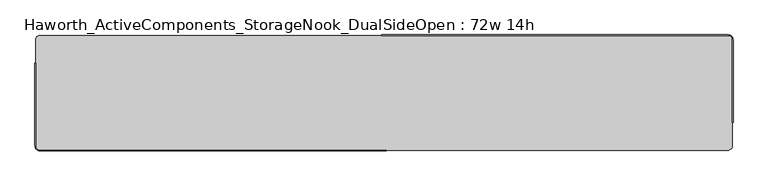
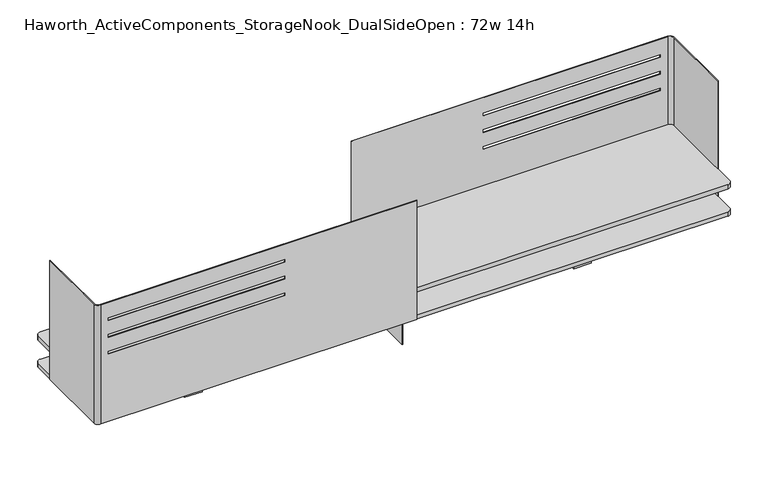
"""IFC4 building model written with IfcOpenShell, lengths in millimetres: furniture geometry, Haworth_ActiveComponents_StorageNook_DualSideOpen : 72w 14h."""

from ifc_helpers import new_model, si_unit, point, frame, frame_2d, origin, place, context, project, spatial, polyline, circle_curve, trimmed, segment, composite_curve, outline, extrude, source, transform, mapped, element, save
from ifc_brep_helpers import plane_surface, cylinder_surface, revolved_surface, advanced_brep


def haworth_activecomponents_storagenook_dualsideopen_72w_14h_59ef07f6(model_context):
    return source(origin(), model_context, "Body", "SolidModel", [
        extrude(outline(polyline([(6.35, 493.7125), (6.35, 265.1125), (-6.35, 265.1125), (-6.35, 493.7125), (6.35, 493.7125)])), frame((0.0, 0.0, 860.4250242), z_axis=(0.0, 0.0, 1.0), x_axis=(1.0, 0.0, 0.0)), (0.0, 0.0, 1.0), 69.85),
        advanced_brep(
        [(901.7, 493.7125, 1209.675), (912.8125, 482.6, 1209.675), (912.8125, 265.1125, 1209.675), (914.4, 265.1125, 1209.675), (914.4, 482.6, 1209.675), (901.7, 495.3, 1209.675), (-6.35, 495.3, 1209.675), (-6.35, 493.7125, 1209.675), (901.7, 493.7125, 847.725), (-6.35, 493.7125, 847.725), (-6.35, 495.3, 847.725), (901.7, 495.3, 847.725), (914.4, 482.6, 847.725), (914.4, 265.1125, 847.725), (912.8125, 265.1125, 847.725), (912.8125, 482.6, 847.725), (880.3639961, 493.7125, 1061.1643944), (880.3639961, 493.7125, 1052.909375), (372.3639961, 493.7125, 1052.909375), (372.3639961, 493.7125, 1061.1643944), (880.3639961, 493.7125, 1162.7643702), (880.3639961, 493.7125, 1154.5093508), (372.3639961, 493.7125, 1154.5093508), (372.3639961, 493.7125, 1162.7643702), (880.3639961, 493.7125, 1111.9643823), (880.3639961, 493.7125, 1103.7093629), (372.3639961, 493.7125, 1103.7093629), (372.3639961, 493.7125, 1111.9643823), (880.3639961, 495.3, 1052.909375), (880.3639961, 495.3, 1061.1643944), (372.3639961, 495.3, 1061.1643944), (372.3639961, 495.3, 1052.909375), (880.3639961, 495.3, 1154.5093508), (880.3639961, 495.3, 1162.7643702), (372.3639961, 495.3, 1162.7643702), (372.3639961, 495.3, 1154.5093508), (880.3639961, 495.3, 1103.7093629), (880.3639961, 495.3, 1111.9643823), (372.3639961, 495.3, 1111.9643823), (372.3639961, 495.3, 1103.7093629)],
        [
            (0, 1, circle_curve(frame((901.7, 482.6, 1209.675), z_axis=(0.0, 0.0, -1.0), x_axis=(1.0, 0.0, 0.0)), 11.1125)),
            (1, 2),
            (2, 3),
            (3, 4),
            (4, 5, circle_curve(frame((901.7, 482.6, 1209.675), z_axis=(0.0, 0.0, 1.0), x_axis=(1.0, 0.0, 0.0)), 12.7)),
            (5, 6),
            (6, 7),
            (7, 0),
            (8, 9),
            (9, 10),
            (10, 11),
            (11, 12, circle_curve(frame((901.7, 482.6, 847.725), z_axis=(0.0, 0.0, -1.0), x_axis=(1.0, 0.0, 0.0)), 12.7)),
            (12, 13),
            (13, 14),
            (14, 15),
            (15, 8, circle_curve(frame((901.7, 482.6, 847.725), z_axis=(0.0, 0.0, 1.0), x_axis=(1.0, 0.0, 0.0)), 11.1125)),
            (7, 9),
            (8, 0),
            (16, 17),
            (17, 18),
            (18, 19),
            (19, 16),
            (20, 21),
            (21, 22),
            (22, 23),
            (23, 20),
            (24, 25),
            (25, 26),
            (26, 27),
            (27, 24),
            (5, 11),
            (10, 6),
            (28, 29),
            (29, 30),
            (30, 31),
            (31, 28),
            (32, 33),
            (33, 34),
            (34, 35),
            (35, 32),
            (36, 37),
            (37, 38),
            (38, 39),
            (39, 36),
            (15, 1),
            (14, 2),
            (13, 3),
            (12, 4),
            (16, 29),
            (28, 17),
            (31, 18),
            (30, 19),
            (20, 33),
            (32, 21),
            (35, 22),
            (34, 23),
            (24, 37),
            (36, 25),
            (39, 26),
            (38, 27),
        ],
        [
            plane_surface(frame((912.8125, 482.6, 1209.675), z_axis=(0.0, 0.0, 1.0), x_axis=(0.0, -1.0, 0.0))),
            plane_surface(frame((912.8125, 482.6, 847.725), z_axis=(0.0, 0.0, -1.0), x_axis=(0.0, 1.0, 0.0))),
            plane_surface(frame((-6.35, 493.7125, 1209.675), z_axis=(0.0, -1.0, 0.0), x_axis=(0.0, 0.0, -1.0))),
            plane_surface(frame((901.7, 495.3, 1209.675), z_axis=(0.0, 1.0, 0.0), x_axis=(0.0, 0.0, -1.0))),
            revolved_surface(polyline([(912.8125, 482.6, 847.725), (912.8125, 482.6, 1209.675)]), (901.7, 482.6, 847.725), (0.0, 0.0, -1.0)),
            plane_surface(frame((912.8125, 482.6, 1209.675), z_axis=(-1.0, 0.0, 0.0), x_axis=(0.0, 0.0, -1.0))),
            plane_surface(frame((912.8125, 265.1125, 1209.675), z_axis=(0.0, -1.0, 0.0), x_axis=(0.0, 0.0, -1.0))),
            plane_surface(frame((914.4, 265.1125, 1209.675), z_axis=(1.0, 0.0, 0.0), x_axis=(0.0, 0.0, -1.0))),
            cylinder_surface(frame((901.7, 482.6, 847.725), z_axis=(0.0, 0.0, 1.0), x_axis=(1.0, 0.0, 0.0)), 12.7),
            plane_surface(frame((880.3639961, 553.8218239, 1061.1643944), z_axis=(-1.0, 0.0, 0.0), x_axis=(0.0, -1.0, 0.0))),
            plane_surface(frame((880.3639961, 553.8218239, 1052.909375), z_axis=(0.0, 0.0, 1.0), x_axis=(0.0, -1.0, 0.0))),
            plane_surface(frame((372.3639961, 553.8218239, 1052.909375), z_axis=(1.0, 0.0, 0.0), x_axis=(0.0, -1.0, 0.0))),
            plane_surface(frame((372.3639961, 553.8218239, 1061.1643944), z_axis=(0.0, 0.0, -1.0), x_axis=(0.0, -1.0, 0.0))),
            plane_surface(frame((880.3639961, 553.8218239, 1162.7643702), z_axis=(-1.0, 0.0, 0.0), x_axis=(0.0, -1.0, 0.0))),
            plane_surface(frame((880.3639961, 553.8218239, 1154.5093508), z_axis=(0.0, 0.0, 1.0), x_axis=(0.0, -1.0, 0.0))),
            plane_surface(frame((372.3639961, 553.8218239, 1154.5093508), z_axis=(1.0, 0.0, 0.0), x_axis=(0.0, -1.0, 0.0))),
            plane_surface(frame((372.3639961, 553.8218239, 1162.7643702), z_axis=(0.0, 0.0, -1.0), x_axis=(0.0, -1.0, 0.0))),
            plane_surface(frame((880.3639961, 553.8218239, 1111.9643823), z_axis=(-1.0, 0.0, 0.0), x_axis=(0.0, -1.0, 0.0))),
            plane_surface(frame((880.3639961, 553.8218239, 1103.7093629), z_axis=(0.0, 0.0, 1.0), x_axis=(0.0, -1.0, 0.0))),
            plane_surface(frame((372.3639961, 553.8218239, 1103.7093629), z_axis=(1.0, 0.0, 0.0), x_axis=(0.0, -1.0, 0.0))),
            plane_surface(frame((372.3639961, 553.8218239, 1111.9643823), z_axis=(0.0, 0.0, -1.0), x_axis=(0.0, -1.0, 0.0))),
            plane_surface(frame((-6.35, 495.3, 1209.675), z_axis=(-1.0, 0.0, 0.0), x_axis=(0.0, 0.0, -1.0))),
        ],
        [
            (0, [[1, 2, 3, 4, 5, 6, 7, 8]]),
            (1, [[9, 10, 11, 12, 13, 14, 15, 16]]),
            (2, [[-8, 17, -9, 18], [19, 20, 21, 22], [23, 24, 25, 26], [27, 28, 29, 30]]),
            (3, [[-6, 31, -11, 32], [33, 34, 35, 36], [37, 38, 39, 40], [41, 42, 43, 44]]),
            (4, [[-1, -18, -16, 45]]),
            (5, [[-2, -45, -15, 46]]),
            (6, [[-3, -46, -14, 47]]),
            (7, [[-4, -47, -13, 48]]),
            (8, [[-5, -48, -12, -31]]),
            (9, [[49, -33, 50, -19]]),
            (10, [[-50, -36, 51, -20]]),
            (11, [[-51, -35, 52, -21]]),
            (12, [[-49, -22, -52, -34]]),
            (13, [[53, -37, 54, -23]]),
            (14, [[-54, -40, 55, -24]]),
            (15, [[-55, -39, 56, -25]]),
            (16, [[-53, -26, -56, -38]]),
            (17, [[57, -41, 58, -27]]),
            (18, [[-58, -44, 59, -28]]),
            (19, [[-59, -43, 60, -29]]),
            (20, [[-57, -30, -60, -42]]),
            (21, [[-7, -32, -10, -17]]),
        ],
    ),
        advanced_brep(
        [(-901.7, 192.0875, 1209.675), (-912.8125, 203.2, 1209.675), (-912.8125, 420.6875, 1209.675), (-914.4, 420.6875, 1209.675), (-914.4, 203.2, 1209.675), (-901.7, 190.5, 1209.675), (6.35, 190.5, 1209.675), (6.35, 192.0875, 1209.675), (-901.7, 192.0875, 847.725), (6.35, 192.0875, 847.725), (6.35, 190.5, 847.725), (-901.7, 190.5, 847.725), (-914.4, 203.2, 847.725), (-914.4, 420.6875, 847.725), (-912.8125, 420.6875, 847.725), (-912.8125, 203.2, 847.725), (-880.3639961, 190.5, 1052.909375), (-880.3639961, 192.0875, 1052.909375), (-880.3639961, 192.0875, 1061.1643944), (-880.3639961, 190.5, 1061.1643944), (-372.3639961, 190.5, 1052.909375), (-372.3639961, 192.0875, 1052.909375), (-372.3639961, 190.5, 1061.1643944), (-372.3639961, 192.0875, 1061.1643944), (-880.3639961, 190.5, 1154.5093508), (-880.3639961, 192.0875, 1154.5093508), (-880.3639961, 192.0875, 1162.7643702), (-880.3639961, 190.5, 1162.7643702), (-372.3639961, 190.5, 1154.5093508), (-372.3639961, 192.0875, 1154.5093508), (-372.3639961, 190.5, 1162.7643702), (-372.3639961, 192.0875, 1162.7643702), (-880.3639961, 190.5, 1103.7093629), (-880.3639961, 192.0875, 1103.7093629), (-880.3639961, 192.0875, 1111.9643823), (-880.3639961, 190.5, 1111.9643823), (-372.3639961, 190.5, 1103.7093629), (-372.3639961, 192.0875, 1103.7093629), (-372.3639961, 190.5, 1111.9643823), (-372.3639961, 192.0875, 1111.9643823)],
        [
            (0, 1, circle_curve(frame((-901.7, 203.2, 1209.675), z_axis=(0.0, 0.0, -1.0), x_axis=(1.0, 0.0, 0.0)), 11.1125)),
            (1, 2),
            (2, 3),
            (3, 4),
            (4, 5, circle_curve(frame((-901.7, 203.2, 1209.675), z_axis=(0.0, 0.0, 1.0), x_axis=(1.0, 0.0, 0.0)), 12.7)),
            (5, 6),
            (6, 7),
            (7, 0),
            (8, 9),
            (9, 10),
            (10, 11),
            (11, 12, circle_curve(frame((-901.7, 203.2, 847.725), z_axis=(0.0, 0.0, -1.0), x_axis=(1.0, 0.0, 0.0)), 12.7)),
            (12, 13),
            (13, 14),
            (14, 15),
            (15, 8, circle_curve(frame((-901.7, 203.2, 847.725), z_axis=(0.0, 0.0, 1.0), x_axis=(1.0, 0.0, 0.0)), 11.1125)),
            (16, 17),
            (17, 18),
            (18, 19),
            (19, 16),
            (16, 20),
            (20, 21),
            (21, 17),
            (20, 22),
            (22, 23),
            (23, 21),
            (22, 19),
            (18, 23),
            (24, 25),
            (25, 26),
            (26, 27),
            (27, 24),
            (24, 28),
            (28, 29),
            (29, 25),
            (28, 30),
            (30, 31),
            (31, 29),
            (30, 27),
            (26, 31),
            (32, 33),
            (33, 34),
            (34, 35),
            (35, 32),
            (32, 36),
            (36, 37),
            (37, 33),
            (36, 38),
            (38, 39),
            (39, 37),
            (38, 35),
            (34, 39),
            (0, 8),
            (15, 1),
            (14, 2),
            (13, 3),
            (12, 4),
            (11, 5),
            (10, 6),
            (9, 7),
        ],
        [
            plane_surface(frame((912.8125, 482.6, 1209.675), z_axis=(0.0, 0.0, 1.0), x_axis=(0.0, -1.0, 0.0))),
            plane_surface(frame((912.8125, 482.6, 847.725), z_axis=(0.0, 0.0, -1.0), x_axis=(0.0, 1.0, 0.0))),
            plane_surface(frame((-880.3639961, 553.8218239, 1052.909375), z_axis=(1.0, 0.0, 0.0), x_axis=(0.0, -1.0, 0.0))),
            plane_surface(frame((-372.3639961, 553.8218239, 1052.909375), z_axis=(0.0, 0.0, 1.0), x_axis=(0.0, -1.0, 0.0))),
            plane_surface(frame((-372.3639961, 553.8218239, 1061.1643944), z_axis=(-1.0, 0.0, 0.0), x_axis=(0.0, -1.0, 0.0))),
            plane_surface(frame((-880.3639961, 553.8218239, 1061.1643944), z_axis=(0.0, 0.0, -1.0), x_axis=(0.0, -1.0, 0.0))),
            plane_surface(frame((-880.3639961, 553.8218239, 1154.5093508), z_axis=(1.0, 0.0, 0.0), x_axis=(0.0, -1.0, 0.0))),
            plane_surface(frame((-372.3639961, 553.8218239, 1154.5093508), z_axis=(0.0, 0.0, 1.0), x_axis=(0.0, -1.0, 0.0))),
            plane_surface(frame((-372.3639961, 553.8218239, 1162.7643702), z_axis=(-1.0, 0.0, 0.0), x_axis=(0.0, -1.0, 0.0))),
            plane_surface(frame((-880.3639961, 553.8218239, 1162.7643702), z_axis=(0.0, 0.0, -1.0), x_axis=(0.0, -1.0, 0.0))),
            plane_surface(frame((-880.3639961, 553.8218239, 1103.7093629), z_axis=(1.0, 0.0, 0.0), x_axis=(0.0, -1.0, 0.0))),
            plane_surface(frame((-372.3639961, 553.8218239, 1103.7093629), z_axis=(0.0, 0.0, 1.0), x_axis=(0.0, -1.0, 0.0))),
            plane_surface(frame((-372.3639961, 553.8218239, 1111.9643823), z_axis=(-1.0, 0.0, 0.0), x_axis=(0.0, -1.0, 0.0))),
            plane_surface(frame((-880.3639961, 553.8218239, 1111.9643823), z_axis=(0.0, 0.0, -1.0), x_axis=(0.0, -1.0, 0.0))),
            revolved_surface(polyline([(-890.5875000000001, 203.2, 847.725), (-890.5875000000001, 203.2, 1209.675)]), (-901.7, 203.2, 0.0), (0.0, 0.0, -1.0)),
            plane_surface(frame((-912.8125, 203.2, 1209.675), z_axis=(1.0, 0.0, 0.0), x_axis=(0.0, 0.0, -1.0))),
            plane_surface(frame((-912.8125, 420.6875, 1209.675), z_axis=(0.0, 1.0, 0.0), x_axis=(0.0, 0.0, -1.0))),
            plane_surface(frame((-914.4, 420.6875, 1209.675), z_axis=(-1.0, 0.0, 0.0), x_axis=(0.0, 0.0, -1.0))),
            cylinder_surface(frame((-901.7, 203.2, 0.0), z_axis=(0.0, 0.0, 1.0), x_axis=(1.0, 0.0, 0.0)), 12.7),
            plane_surface(frame((-901.7, 190.5, 1209.675), z_axis=(0.0, -1.0, 0.0), x_axis=(0.0, 0.0, -1.0))),
            plane_surface(frame((6.35, 190.5, 1209.675), z_axis=(1.0, 0.0, 0.0), x_axis=(0.0, 0.0, -1.0))),
            plane_surface(frame((6.35, 192.0875, 1209.675), z_axis=(0.0, 1.0, 0.0), x_axis=(0.0, 0.0, -1.0))),
        ],
        [
            (0, [[1, 2, 3, 4, 5, 6, 7, 8]]),
            (1, [[9, 10, 11, 12, 13, 14, 15, 16]]),
            (2, [[17, 18, 19, 20]]),
            (3, [[-17, 21, 22, 23]]),
            (4, [[-22, 24, 25, 26]]),
            (5, [[-25, 27, -19, 28]]),
            (6, [[29, 30, 31, 32]]),
            (7, [[-29, 33, 34, 35]]),
            (8, [[-34, 36, 37, 38]]),
            (9, [[-37, 39, -31, 40]]),
            (10, [[41, 42, 43, 44]]),
            (11, [[-41, 45, 46, 47]]),
            (12, [[-46, 48, 49, 50]]),
            (13, [[-49, 51, -43, 52]]),
            (14, [[-1, 53, -16, 54]]),
            (15, [[-2, -54, -15, 55]]),
            (16, [[-3, -55, -14, 56]]),
            (17, [[-4, -56, -13, 57]]),
            (18, [[-5, -57, -12, 58]]),
            (19, [[-6, -58, -11, 59], [-20, -27, -24, -21], [-32, -39, -36, -33], [-44, -51, -48, -45]]),
            (20, [[-7, -59, -10, 60]]),
            (21, [[-8, -60, -9, -53], [-18, -23, -26, -28], [-30, -35, -38, -40], [-42, -47, -50, -52]]),
        ],
    ),
        extrude(outline(polyline([(-533.4, 361.95), (-533.4, 323.453125), (-584.2, 323.453125), (-584.2, 361.95), (-533.4, 361.95)])), frame((0.0, 0.0, 736.6), z_axis=(0.0, 0.0, 1.0), x_axis=(1.0, 0.0, 0.0)), (0.0, 0.0, 1.0), 111.125),
        extrude(outline(polyline([(533.4, 361.95), (584.2, 361.95), (584.2, 323.453125), (533.4, 323.453125), (533.4, 361.95)])), frame((0.0, 0.0, 736.6), z_axis=(0.0, 0.0, 1.0), x_axis=(1.0, 0.0, 0.0)), (0.0, 0.0, 1.0), 111.125),
        extrude(outline(polyline([(1.5875, 433.3841935), (1.5875, 252.4158065), (-1.5875, 252.4158065), (-1.5875, 433.3841935), (1.5875, 433.3841935)])), frame((0.0, 0.0, 736.6), z_axis=(0.0, 0.0, 1.0), x_axis=(1.0, 0.0, 0.0)), (0.0, 0.0, 1.0), 111.125),
        extrude(outline(composite_curve([segment(trimmed(circle_curve(frame_2d((900.1125, 481.0125)), 12.7), [point((900.1125, 493.7125))], [point((912.8125, 481.0125))], False, "CARTESIAN"), True, "CONTINUOUS"), segment(polyline([(912.8125, 481.0125), (912.8125, 204.7875)]), True, "CONTINUOUS"), segment(trimmed(circle_curve(frame_2d((900.1125, 204.7875)), 12.7), [point((912.8125, 204.7875))], [point((900.1125, 192.0875))], False, "CARTESIAN"), True, "CONTINUOUS"), segment(polyline([(900.1125, 192.0875), (-900.1125, 192.0875)]), True, "CONTINUOUS"), segment(trimmed(circle_curve(frame_2d((-900.1125, 204.7875)), 12.7), [point((-900.1125, 192.0875))], [point((-912.8125, 204.7875))], False, "CARTESIAN"), True, "CONTINUOUS"), segment(polyline([(-912.8125, 204.7875), (-912.8125, 481.0125)]), True, "CONTINUOUS"), segment(trimmed(circle_curve(frame_2d((-900.1125, 481.0125)), 12.7), [point((-912.8125, 481.0125))], [point((-900.1125, 493.7125))], False, "CARTESIAN"), True, "CONTINUOUS"), segment(polyline([(-900.1125, 493.7125), (900.1125, 493.7125)]), True, "CONTINUOUS")], self_intersect=False)), frame((0.0, 0.0, 930.2750242), z_axis=(0.0, 0.0, 1.0), x_axis=(1.0, 0.0, 0.0)), (0.0, 0.0, 1.0), 12.7000242),
        extrude(outline(composite_curve([segment(trimmed(circle_curve(frame_2d((900.1125, 481.0125)), 12.7), [point((900.1125, 493.7125))], [point((912.8125, 481.0125))], False, "CARTESIAN"), True, "CONTINUOUS"), segment(polyline([(912.8125, 481.0125), (912.8125, 204.7875)]), True, "CONTINUOUS"), segment(trimmed(circle_curve(frame_2d((900.1125, 204.7875)), 12.7), [point((912.8125, 204.7875))], [point((900.1125, 192.0875))], False, "CARTESIAN"), True, "CONTINUOUS"), segment(polyline([(900.1125, 192.0875), (-900.1125, 192.0875)]), True, "CONTINUOUS"), segment(trimmed(circle_curve(frame_2d((-900.1125, 204.7875)), 12.7), [point((-900.1125, 192.0875))], [point((-912.8125, 204.7875))], False, "CARTESIAN"), True, "CONTINUOUS"), segment(polyline([(-912.8125, 204.7875), (-912.8125, 481.0125)]), True, "CONTINUOUS"), segment(trimmed(circle_curve(frame_2d((-900.1125, 481.0125)), 12.7), [point((-912.8125, 481.0125))], [point((-900.1125, 493.7125))], False, "CARTESIAN"), True, "CONTINUOUS"), segment(polyline([(-900.1125, 493.7125), (900.1125, 493.7125)]), True, "CONTINUOUS")], self_intersect=False)), frame((0.0, 0.0, 847.725), z_axis=(0.0, 0.0, 1.0), x_axis=(1.0, 0.0, 0.0)), (0.0, 0.0, 1.0), 12.7000242),
    ])


if __name__ == "__main__":
    model = new_model("IFC4")
    model_context = context("Model", 3, world=origin())
    ifc_project = project(units=[si_unit("LENGTHUNIT", "METRE", prefix="MILLI")], contexts=[model_context])
    site = spatial("IfcSite", under=ifc_project)
    building = spatial("IfcBuilding", under=site)
    placement = place(None, origin())
    haworth_activecomponents_storagenook_dualsideopen_72w_14h_shape = haworth_activecomponents_storagenook_dualsideopen_72w_14h_59ef07f6(model_context)
    element("IfcFurniture", 1, ObjectType="Haworth_ActiveComponents_StorageNook_DualSideOpen : 72w 14h", at=placement, inside=building, context=model_context, shape_type="MappedRepresentation", body=[
        mapped(haworth_activecomponents_storagenook_dualsideopen_72w_14h_shape, transform((0.0, 0.0, 0.0), x_axis=(1.0, 0.0, 0.0), y_axis=(0.0, 1.0, 0.0), z_axis=(0.0, 0.0, 1.0))),
    ])
    save(model, "model.ifc")
